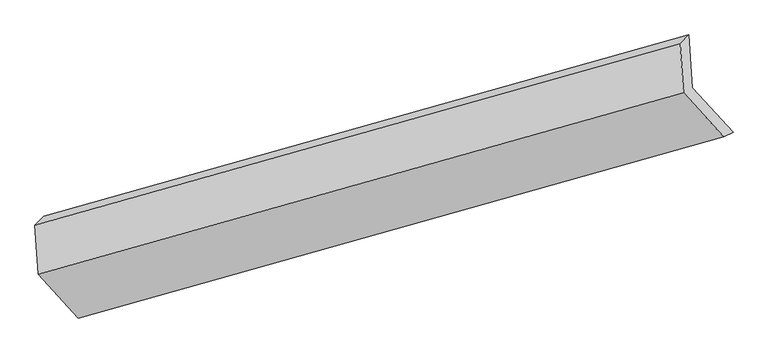
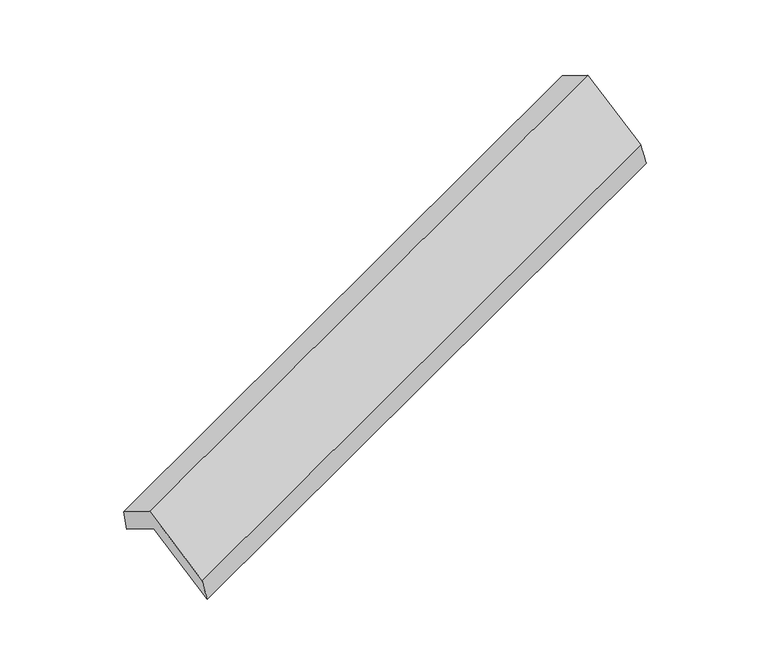
"""IFC4 building model written with IfcOpenShell, lengths in millimetres: proxy geometry."""

from ifc_helpers import new_model, si_unit, frame, origin, place, context, project, spatial, source, transform, mapped, element, save
from ifc_brep_helpers import plane_surface, spline_surface, advanced_brep


def generic_models_81f8e0f4(model_context):
    return source(origin(), model_context, "Body", "AdvancedBrep", [
        advanced_brep(
        [(-5081.2923009, -2105.5455399, 1286.03975), (-5104.1875643, -1759.5023244, 1080.2853881), (-770.0582777, -541.5603633, 2646.373795), (-746.5952361, -896.1850836, 2857.2306468), (-5162.4456473, -1819.4658999, 1290.2442394), (-828.3163607, -601.5239388, 2856.3326463), (-5140.646442, -2148.9430913, 1486.1485838), (-806.5171554, -931.0011302, 3052.2369907), (-4871.9692292, -2442.5215105, 962.5035209), (-537.8399426, -1224.5795495, 2528.5919278), (-4808.5300353, -2403.5876176, 754.433023), (-473.8329704, -1194.2271614, 2325.6239198)],
        [
            (0, 1),
            (1, 2),
            (2, 3),
            (3, 0),
            (1, 4),
            (4, 5),
            (5, 2),
            (4, 6),
            (6, 7),
            (7, 5),
            (6, 8),
            (8, 9),
            (9, 7),
            (8, 10),
            (10, 11),
            (11, 9),
            (10, 0),
            (3, 11),
        ],
        [
            plane_surface(frame((-5092.7399326, -1932.5239321, 1183.1625691), z_axis=(0.4123240478251057, -0.44529767723977304, -0.7947948529211694), x_axis=(-0.056777825207338456, 0.8581504761414268, -0.5102489969249989))),
            plane_surface(frame((-5133.3166058, -1789.4841121, 1185.2648138), z_axis=(-0.32456521144371353, 0.9294594995120825, 0.17539230965822578), x_axis=(-0.25778832972259047, -0.265335026210178, 0.9290546275246043))),
            plane_surface(frame((-5151.5460447, -1984.2044956, 1388.1964116), z_axis=(-0.41232404782510224, 0.4452976772397743, 0.7947948529211701), x_axis=(0.05677782520733873, -0.8581504761414264, 0.5102489969249995))),
            plane_surface(frame((-5006.3078356, -2295.7323009, 1224.3260524), z_axis=(0.05677782520733876, -0.8581504761414281, 0.510248996924997), x_axis=(0.4085052798855886, -0.4463658568131901, -0.7961664136203083))),
            spline_surface(1, 1, [[(-4871.9692292, -2442.5215105, 962.5035209), (-537.8399426, -1224.5795495, 2528.5919278)], [(-4808.5300353, -2403.5876176, 754.433023), (-473.8329704, -1194.2271614, 2325.6239198)]], [2, 2], [2, 2], [0.0, 1.0], [0.0, 1.0]),
            plane_surface(frame((-4944.9111681, -2254.5665787, 1020.2363865), z_axis=(-0.054866505719090325, 0.8586807163491056, -0.5095655933443353), x_axis=(-0.40850527988559976, 0.4463658568131959, 0.7961664136202993))),
            plane_surface(frame((-693.8599905, -898.1795378, 2711.0649877), z_axis=(0.9109883176365766, 0.253644006768623, 0.3252153178434847), x_axis=(0.29774172102143126, 0.14119043530913272, -0.9441478319312151))),
            plane_surface(frame((-5028.1785365, -2113.2609972, 1143.2757509), z_axis=(-0.9109883176365694, -0.2536440067687183, -0.32521531784343083), x_axis=(0.4085052798856015, -0.4463658568131857, -0.7961664136203042))),
        ],
        [
            (0, [[1, 2, 3, 4]]),
            (1, [[5, 6, 7, -2]]),
            (2, [[8, 9, 10, -6]]),
            (3, [[11, 12, 13, -9]]),
            (4, [[14, 15, 16, -12]]),
            (5, [[17, -4, 18, -15]]),
            (6, [[-16, -18, -3, -7, -10, -13]]),
            (7, [[-17, -14, -11, -8, -5, -1]]),
        ],
    ),
    ])


if __name__ == "__main__":
    model = new_model("IFC4")
    model_context = context("Model", 3, world=origin())
    ifc_project = project(units=[si_unit("LENGTHUNIT", "METRE", prefix="MILLI")], contexts=[model_context])
    site = spatial("IfcSite", under=ifc_project)
    building = spatial("IfcBuilding", under=site)
    placement = place(None, origin())
    generic_models_shape = generic_models_81f8e0f4(model_context)
    element("IfcBuildingElementProxy", 1, Name="Generic Models", at=placement, inside=building, context=model_context, shape_type="MappedRepresentation", body=[
        mapped(generic_models_shape, transform((0.0, 0.0, 0.0), x_axis=(1.0, 0.0, 0.0), y_axis=(0.0, 1.0, 0.0), z_axis=(0.0, 0.0, 1.0))),
    ])
    save(model, "model.ifc")
